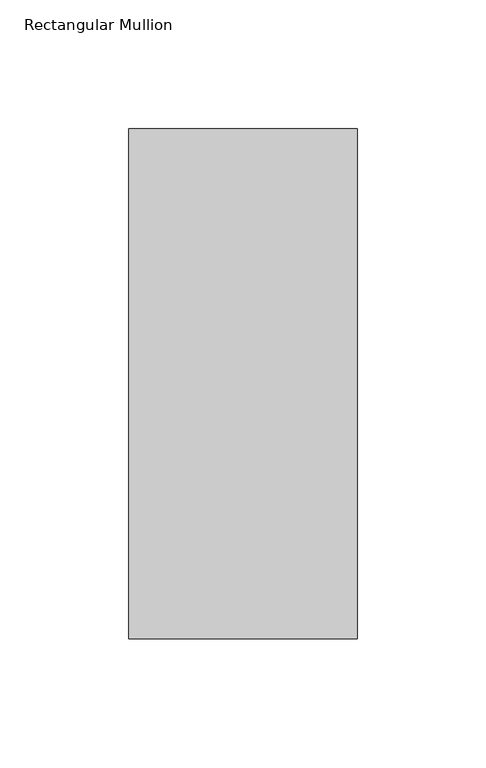
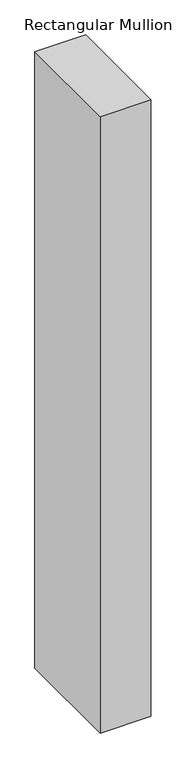
"""IFC4 building model written with IfcOpenShell, lengths in millimetres: member geometry, Rectangular Mullion."""

import ifcopenshell
import ifcopenshell.guid

model = None  # the IFC model being written
_history = None  # IfcOwnerHistory: only IFC2X3 demands one
_inside = {}  # id of a spatial element -> (the spatial element, [elements in it])
_under = {}  # id of a project, library or spatial element -> (it, [spatial elements below it])
_declared = {}  # id of a project -> (the project, [libraries it declares])
_typed = {}  # id of a type object -> (the type object, [elements of that type])
_made_of = {}  # id of a material, layer set ... -> (it, [elements and type objects made of it])


def new_model(schema):
    """Start an empty IFC model of exactly this schema.

    Asked for "IFC4X3", IfcOpenShell would pick the latest addendum, in which some entities
    have other attributes; the version numbers below select the first issue.
    IFC2X3 requires an IfcOwnerHistory on every rooted entity: one is made here for all.
    """
    global model, _history
    if schema == "IFC4X3":
        model = ifcopenshell.file(schema_version=(4, 3, 0, 0))
    else:
        model = ifcopenshell.file(schema=schema)
    _inside.clear()
    _under.clear()
    _declared.clear()
    _typed.clear()
    _made_of.clear()
    _history = None
    if model.schema == "IFC2X3":
        org = make("IfcOrganization", Name="unknown")
        user = make(
            "IfcPersonAndOrganization",
            ThePerson=make("IfcPerson", FamilyName="unknown"),
            TheOrganization=org,
        )
        app = make(
            "IfcApplication",
            ApplicationDeveloper=org,
            Version="unknown",
            ApplicationFullName="unknown",
            ApplicationIdentifier="unknown",
        )
        _history = make(
            "IfcOwnerHistory",
            OwningUser=user,
            OwningApplication=app,
            ChangeAction="ADDED",
            CreationDate=0,
        )
    return model


def make(cls, **values):
    """One entity of the class cls with the attributes given. An attribute that is None is left unset."""
    return model.create_entity(
        cls, **{name: value for name, value in values.items() if value is not None}
    )


def rooted(cls, **values):
    """An entity with a GlobalId (a new one), such as an element, a storey or a relation."""
    return make(cls, GlobalId=ifcopenshell.guid.new(), OwnerHistory=_history, **values)


def si_unit(unit_type, name, prefix=None):
    """IfcSIUnit, for example si_unit("LENGTHUNIT", "METRE", prefix="MILLI")."""
    return make("IfcSIUnit", UnitType=unit_type, Prefix=prefix, Name=name)


def assignment(units):
    """IfcUnitAssignment: the units of a project."""
    return None if units is None else make("IfcUnitAssignment", Units=units)


def point(xyz):
    """IfcCartesianPoint."""
    return None if xyz is None else make("IfcCartesianPoint", Coordinates=xyz)


def direction(xyz):
    """IfcDirection."""
    return None if xyz is None else make("IfcDirection", DirectionRatios=xyz)


def frame(location, z_axis=None, x_axis=None):
    """IfcAxis2Placement3D, a coordinate frame: its origin and axes. An axis left out is left unset."""
    return make(
        "IfcAxis2Placement3D",
        Location=point(location),
        Axis=direction(z_axis),
        RefDirection=direction(x_axis),
    )


def origin():
    """The frame at (0, 0, 0) with its axes left unset."""
    return frame((0.0, 0.0, 0.0))


def place(relative_to, where):
    """IfcLocalPlacement: puts the frame where relative to a parent placement (None: the world)."""
    return make(
        "IfcLocalPlacement", PlacementRelTo=relative_to, RelativePlacement=where
    )


def context(
    kind, dimensions, precision=None, world=None, true_north=None, identifier=None
):
    """IfcGeometricRepresentationContext, for example the 3D "Model" context."""
    return make(
        "IfcGeometricRepresentationContext",
        ContextIdentifier=identifier,
        ContextType=kind,
        CoordinateSpaceDimension=dimensions,
        Precision=precision,
        WorldCoordinateSystem=world,
        TrueNorth=true_north,
    )


def project(units=None, contexts=None):
    """IfcProject with its units and contexts."""
    return rooted(
        "IfcProject",
        Name="project",
        RepresentationContexts=contexts,
        UnitsInContext=assignment(units),
    )


def spatial(cls, under=None, at=None, **own):
    """A site, building, storey or space (cls), placed at a placement, below another one or the project."""
    s = rooted(cls, ObjectPlacement=at, **own)
    if under is not None:
        _under.setdefault(under.id(), (under, []))[1].append(s)
    return s


def polyline(points):
    """IfcPolyline through the points."""
    return make("IfcPolyline", Points=[point(p) for p in points])


def outline(outer, holes=None, kind="AREA"):
    """IfcArbitraryClosedProfileDef: a profile drawn as a closed curve; with holes, ...WithVoids."""
    if holes is None:
        return make("IfcArbitraryClosedProfileDef", ProfileType=kind, OuterCurve=outer)
    return make(
        "IfcArbitraryProfileDefWithVoids",
        ProfileType=kind,
        OuterCurve=outer,
        InnerCurves=holes,
    )


def extrude(swept, where, along, depth):
    """IfcExtrudedAreaSolid: the profile swept, set in the frame where, extruded along a direction by depth."""
    return make(
        "IfcExtrudedAreaSolid",
        SweptArea=swept,
        Position=where,
        ExtrudedDirection=direction(along),
        Depth=depth,
    )


def shape(context_of_items, identifier, shape_type, items):
    """IfcShapeRepresentation: the items that make up one representation, for example the "Body"."""
    return make(
        "IfcShapeRepresentation",
        ContextOfItems=context_of_items,
        RepresentationIdentifier=identifier,
        RepresentationType=shape_type,
        Items=items,
    )


def source(mapping_origin, context_of_items, identifier, shape_type, items):
    """IfcRepresentationMap: a shape defined once, which mapped items show again and again."""
    return make(
        "IfcRepresentationMap",
        MappingOrigin=mapping_origin,
        MappedRepresentation=shape(context_of_items, identifier, shape_type, items),
    )


def transform(
    local_origin,
    x_axis=None,
    y_axis=None,
    z_axis=None,
    scale=None,
    scale2=None,
    scale3=None,
    uniform=True,
):
    """IfcCartesianTransformationOperator3D, or its non-uniform kind. x_axis, y_axis, z_axis: its Axis1, 2, 3."""
    if uniform:
        return make(
            "IfcCartesianTransformationOperator3D",
            Axis1=direction(x_axis),
            Axis2=direction(y_axis),
            LocalOrigin=point(local_origin),
            Scale=scale,
            Axis3=direction(z_axis),
        )
    return make(
        "IfcCartesianTransformationOperator3DnonUniform",
        Axis1=direction(x_axis),
        Axis2=direction(y_axis),
        LocalOrigin=point(local_origin),
        Scale=scale,
        Axis3=direction(z_axis),
        Scale2=scale2,
        Scale3=scale3,
    )


def mapped(mapping_source, mapping_target):
    """IfcMappedItem: shows the shape of a source again, moved by a transform."""
    return make(
        "IfcMappedItem", MappingSource=mapping_source, MappingTarget=mapping_target
    )


def made_of(thing, what):
    """Note that an element or type object is made of a material, layer set ...; save() writes the relation."""
    if what is not None:
        _made_of.setdefault(what.id(), (what, []))[1].append(thing)
    return thing


def element(
    cls,
    number,
    at=None,
    inside=None,
    cuts=None,
    type_object=None,
    material=None,
    context=None,
    identifier="Body",
    shape_type=None,
    held_by="IfcProductDefinitionShape",
    body=None,
    shapes=None,
    **own,
):
    """One element of the class cls, such as IfcWall. Its Tag is "e" and its number.

    at: its placement. inside: the storey or other place that contains it. cuts: it is an
    opening in that element (IfcRelVoidsElement). A single representation is given by context,
    identifier, shape_type and body (its items); several are given by shapes. held_by: the class
    of the entity that holds the representations. save() writes the other relations.
    """
    e = rooted(cls, Tag="e%d" % number, ObjectPlacement=at, **own)
    if body is not None:
        shapes = [shape(context, identifier, shape_type, body)]
    if shapes is not None:
        e.Representation = make(held_by, Representations=shapes)
    if inside is not None:
        _inside.setdefault(inside.id(), (inside, []))[1].append(e)
    if cuts is not None:
        rooted(
            "IfcRelVoidsElement", RelatingBuildingElement=cuts, RelatedOpeningElement=e
        )
    if type_object is not None:
        _typed.setdefault(type_object.id(), (type_object, []))[1].append(e)
    return made_of(e, material)


def aggregate(whole, parts):
    """IfcRelAggregates: a whole, such as a stair, and the parts it consists of."""
    return rooted("IfcRelAggregates", RelatingObject=whole, RelatedObjects=parts)


def save(model, path):
    """Write the relations noted so far, then the file.

    IfcRelAggregates (storeys below a building ...), IfcRelContainedInSpatialStructure (elements
    in a storey), IfcRelDefinesByType, IfcRelAssociatesMaterial and IfcRelDeclares: one each for
    every whole, place, type object, material and project.
    """
    for whole, parts in _under.values():
        aggregate(whole, parts)
    for where, things in _inside.values():
        rooted(
            "IfcRelContainedInSpatialStructure",
            RelatedElements=things,
            RelatingStructure=where,
        )
    for kind, things in _typed.values():
        rooted("IfcRelDefinesByType", RelatedObjects=things, RelatingType=kind)
    for what, things in _made_of.values():
        rooted("IfcRelAssociatesMaterial", RelatedObjects=things, RelatingMaterial=what)
    for by, libraries in _declared.values():
        rooted("IfcRelDeclares", RelatingContext=by, RelatedDefinitions=libraries)
    model.write(path)


def rectangular_mullion_d567f1b5(model_context):
    return source(origin(), model_context, "Body", "SweptSolid", [
        extrude(outline(polyline([(-88.9, 42.06875), (0.0, 42.06875), (0.0, -156.36875), (-88.9, -156.36875), (-88.9, 42.06875)])), frame((0.0, 0.0, -1143.0), z_axis=(0.0, 0.0, 1.0), x_axis=(1.0, 0.0, 0.0)), (0.0, 0.0, 1.0), 1143.0),
    ])


if __name__ == "__main__":
    model = new_model("IFC4")
    model_context = context("Model", 3, world=origin())
    ifc_project = project(units=[si_unit("LENGTHUNIT", "METRE", prefix="MILLI")], contexts=[model_context])
    site = spatial("IfcSite", under=ifc_project)
    building = spatial("IfcBuilding", under=site)
    placement = place(None, origin())
    rectangular_mullion_shape = rectangular_mullion_d567f1b5(model_context)
    element("IfcMember", 1, ObjectType="Rectangular Mullion", at=placement, inside=building, context=model_context, shape_type="MappedRepresentation", body=[
        mapped(rectangular_mullion_shape, transform((0.0, 0.0, 0.0), x_axis=(1.0, 0.0, 0.0), y_axis=(0.0, 1.0, 0.0), z_axis=(0.0, 0.0, 1.0))),
    ])
    save(model, "model.ifc")
